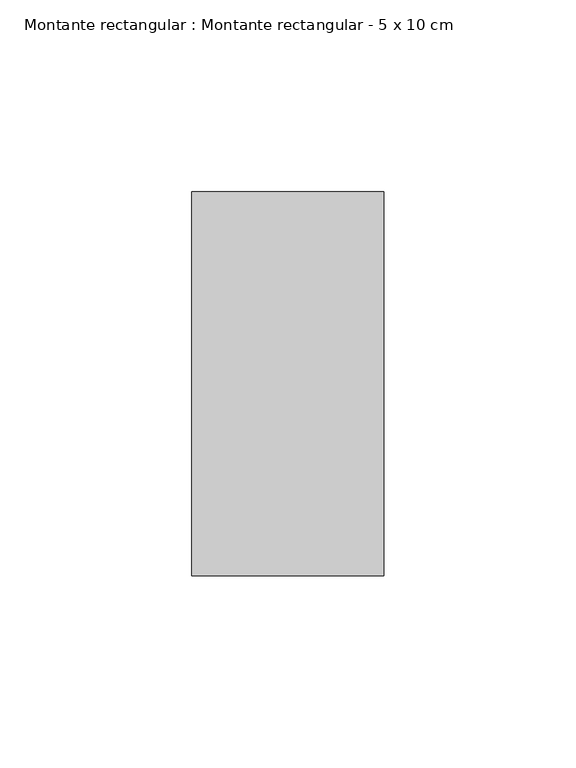
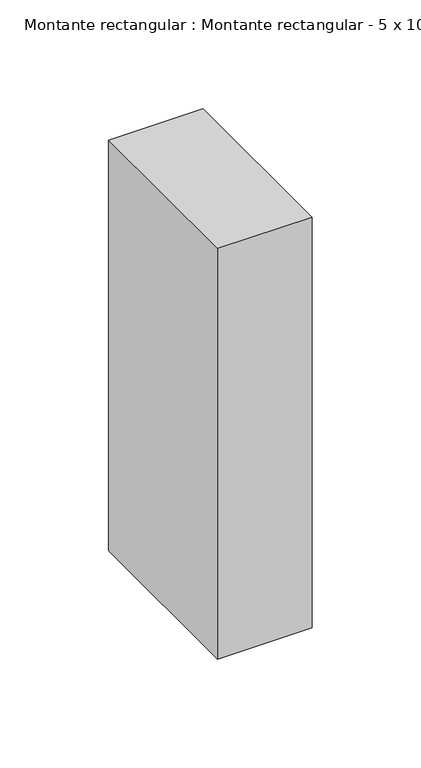
"""IFC4 building model written with IfcOpenShell, lengths in millimetres: member geometry, Montante rectangular : Montante rectangular - 5 x 10 cm."""

from ifc_helpers import new_model, si_unit, frame, origin, place, context, project, spatial, polyline, outline, extrude, source, transform, mapped, element, save


def montante_rectangular_montante_rectangular_5_x_10_cm_87ad9f83(model_context):
    return source(origin(), model_context, "Body", "SweptSolid", [
        extrude(outline(polyline([(25.0, 50.0), (25.0, -50.0), (-25.0, -50.0), (-25.0, 50.0), (25.0, 50.0)])), frame((0.0, 0.0, -230.0), z_axis=(0.0, 0.0, 1.0), x_axis=(1.0, 0.0, 0.0)), (0.0, 0.0, 1.0), 230.0),
    ])


if __name__ == "__main__":
    model = new_model("IFC4")
    model_context = context("Model", 3, world=origin())
    ifc_project = project(units=[si_unit("LENGTHUNIT", "METRE", prefix="MILLI")], contexts=[model_context])
    site = spatial("IfcSite", under=ifc_project)
    building = spatial("IfcBuilding", under=site)
    placement = place(None, origin())
    montante_rectangular_montante_rectangular_5_x_10_cm_shape = montante_rectangular_montante_rectangular_5_x_10_cm_87ad9f83(model_context)
    element("IfcMember", 1, ObjectType="Montante rectangular : Montante rectangular - 5 x 10 cm", at=placement, inside=building, context=model_context, shape_type="MappedRepresentation", body=[
        mapped(montante_rectangular_montante_rectangular_5_x_10_cm_shape, transform((0.0, 0.0, 0.0), x_axis=(1.0, 0.0, 0.0), y_axis=(0.0, 1.0, 0.0), z_axis=(0.0, 0.0, 1.0))),
    ])
    save(model, "model.ifc")
